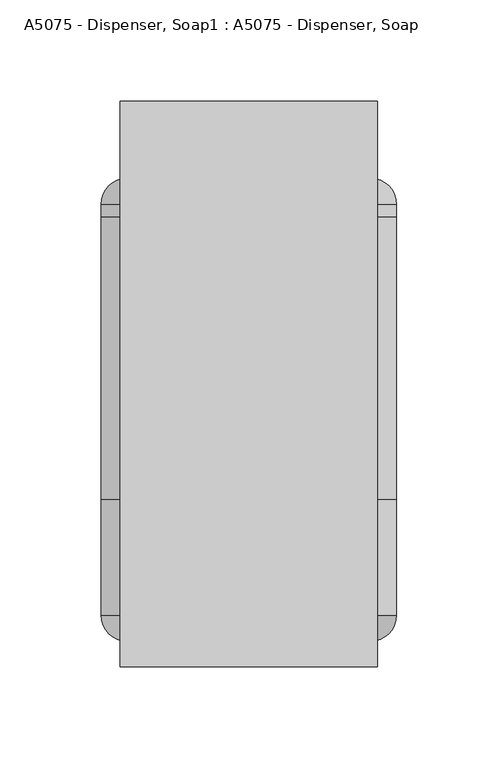
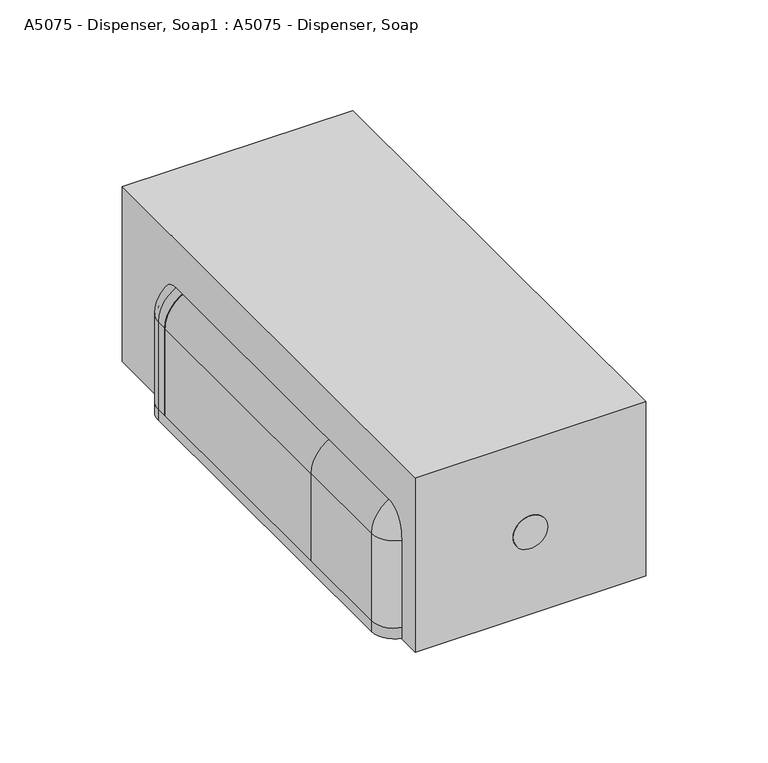
"""IFC4 building model written with IfcOpenShell, lengths in millimetres: proxy geometry, A5075 - Dispenser, Soap1 : A5075 - Dispenser, Soap."""

from ifc_helpers import new_model, si_unit, point, frame, frame_2d, origin, origin_with_axes, place, context, project, spatial, polyline, circle_curve, ellipse_curve, trimmed, segment, composite_curve, outline, extrude, source, transform, mapped, element, save
from ifc_brep_helpers import plane_surface, cylinder_surface, revolved_surface, advanced_brep


def a5075_dispenser_soap1_a5075_dispenser_soap_4b3b6f7a(model_context):
    return source(origin(), model_context, "Body", "SolidModel", [
        advanced_brep(
        [(-73.025, 25.4, 6.35), (-73.025, 82.55, 6.35), (-71.4375, 82.55, 6.35), (-71.4375, 25.4, 6.35), (-60.325, 14.2875, 6.35), (-60.325, 12.7, 6.35), (-73.025, 25.4, 57.15), (-73.025, 82.55, 57.15), (-53.975, 82.55, 76.2), (53.975, 82.55, 76.2), (73.025, 82.55, 57.15), (73.025, 82.55, 6.35), (71.4375, 82.55, 6.35), (71.4375, 82.55, 57.15), (53.975, 82.55, 74.6125), (-53.975, 82.55, 74.6125), (-71.4375, 82.55, 57.15), (-71.4375, 25.4, 57.15), (-60.325, 14.2875, 57.15), (-60.325, 12.7, 57.15), (-53.975, 25.4, 76.2), (-53.975, 25.4, 74.6125), (-53.975, 14.2875, 63.5), (-53.975, 12.7, 63.5), (53.975, 25.4, 76.2), (53.975, 25.4, 74.6125), (53.975, 14.2875, 63.5), (53.975, 12.7, 63.5), (73.025, 25.4, 57.15), (71.4375, 25.4, 57.15), (60.325, 14.2875, 57.15), (60.325, 12.7, 57.15), (73.025, 25.4, 6.35), (60.325, 12.7, 6.35), (60.325, 14.2875, 6.35), (71.4375, 25.4, 6.35)],
        [
            (0, 1),
            (1, 2),
            (2, 3),
            (3, 4, circle_curve(frame((-60.325, 25.4, 6.35), z_axis=(0.0, 0.0, 1.0), x_axis=(1.0, 0.0, 0.0)), 11.1125)),
            (4, 5),
            (5, 0, circle_curve(frame((-60.325, 25.4, 6.35), z_axis=(0.0, 0.0, -1.0), x_axis=(1.0, 0.0, 0.0)), 12.7)),
            (0, 6),
            (6, 7),
            (7, 1),
            (7, 8, circle_curve(frame((-53.975, 82.55, 57.15), z_axis=(0.0, 1.0, 0.0), x_axis=(-1.0, 0.0, 0.0)), 19.05)),
            (8, 9),
            (9, 10, circle_curve(frame((53.975, 82.55, 57.15), z_axis=(0.0, 1.0, 0.0), x_axis=(0.0, 0.0, 1.0)), 19.05)),
            (10, 11),
            (11, 12),
            (12, 13),
            (13, 14, circle_curve(frame((53.975, 82.55, 57.15), z_axis=(0.0, -1.0, 0.0), x_axis=(0.0, 0.0, 1.0)), 17.4625)),
            (14, 15),
            (15, 16, circle_curve(frame((-53.975, 82.55, 57.15), z_axis=(0.0, -1.0, 0.0), x_axis=(-1.0, 0.0, 0.0)), 17.4625)),
            (16, 2),
            (16, 17),
            (17, 3),
            (17, 18, circle_curve(frame((-60.325, 25.4, 57.15), z_axis=(0.0, 0.0, 1.0), x_axis=(1.0, 0.0, 0.0)), 11.1125)),
            (18, 4),
            (18, 19),
            (19, 5),
            (19, 6, circle_curve(frame((-60.325, 25.4, 57.15), z_axis=(0.0, 0.0, -1.0), x_axis=(1.0, 0.0, 0.0)), 12.7)),
            (6, 20, circle_curve(frame((-53.975, 25.4, 57.15), z_axis=(0.0, 1.0, 0.0), x_axis=(-1.0, 0.0, 0.0)), 19.05)),
            (20, 8),
            (21, 17, circle_curve(frame((-53.975, 25.4, 57.15), z_axis=(0.0, -1.0, 0.0), x_axis=(-1.0, 0.0, 0.0)), 17.4625)),
            (15, 21),
            (22, 18, circle_curve(frame((-53.975, 14.2875, 57.15), z_axis=(0.0, -1.0, 0.0), x_axis=(-1.0, 0.0, 0.0)), 6.35)),
            (21, 22, circle_curve(frame((-53.975, 25.4, 63.5), z_axis=(1.0, 0.0, 0.0), x_axis=(0.0, 0.0, -1.0)), 11.1125)),
            (23, 19, circle_curve(frame((-53.975, 12.7, 57.15), z_axis=(0.0, -1.0, 0.0), x_axis=(-1.0, 0.0, 0.0)), 6.35)),
            (22, 23),
            (23, 20, circle_curve(frame((-53.975, 25.4, 63.5), z_axis=(-1.0, 0.0, 0.0), x_axis=(0.0, 0.0, -1.0)), 12.7)),
            (20, 24),
            (24, 9),
            (14, 25),
            (25, 21),
            (25, 26, circle_curve(frame((53.975, 25.4, 63.5), z_axis=(1.0, 0.0, 0.0), x_axis=(0.0, 0.0, -1.0)), 11.1125)),
            (26, 22),
            (26, 27),
            (27, 23),
            (27, 24, circle_curve(frame((53.975, 25.4, 63.5), z_axis=(-1.0, 0.0, 0.0), x_axis=(0.0, 0.0, -1.0)), 12.7)),
            (24, 28, circle_curve(frame((53.975, 25.4, 57.15), z_axis=(0.0, 1.0, 0.0), x_axis=(0.0, 0.0, 1.0)), 19.05)),
            (28, 10),
            (29, 25, circle_curve(frame((53.975, 25.4, 57.15), z_axis=(0.0, -1.0, 0.0), x_axis=(0.0, 0.0, 1.0)), 17.4625)),
            (13, 29),
            (30, 26, circle_curve(frame((53.975, 14.2875, 57.15), z_axis=(0.0, -1.0, 0.0), x_axis=(0.0, 0.0, 1.0)), 6.35)),
            (29, 30, circle_curve(frame((60.325, 25.4, 57.15), z_axis=(0.0, 0.0, -1.0), x_axis=(-1.0, 0.0, 0.0)), 11.1125)),
            (31, 27, circle_curve(frame((53.975, 12.7, 57.15), z_axis=(0.0, -1.0, 0.0), x_axis=(0.0, 0.0, 1.0)), 6.35)),
            (30, 31),
            (31, 28, circle_curve(frame((60.325, 25.4, 57.15), z_axis=(0.0, 0.0, 1.0), x_axis=(-1.0, 0.0, 0.0)), 12.7)),
            (32, 33, circle_curve(frame((60.325, 25.4, 6.35), z_axis=(0.0, 0.0, -1.0), x_axis=(-1.0, 0.0, 0.0)), 12.7)),
            (33, 34),
            (34, 35, circle_curve(frame((60.325, 25.4, 6.35), z_axis=(0.0, 0.0, 1.0), x_axis=(-1.0, 0.0, 0.0)), 11.1125)),
            (35, 12),
            (11, 32),
            (28, 32),
            (35, 29),
            (34, 30),
            (33, 31),
        ],
        [
            plane_surface(frame((-73.025, 12.7, 6.35), z_axis=(0.0, 0.0, -1.0), x_axis=(0.0, 1.0, 0.0))),
            plane_surface(frame((-73.025, 25.4, 6.35), z_axis=(-1.0, 0.0, 0.0), x_axis=(0.0, 0.0, 1.0))),
            plane_surface(frame((-73.025, 82.55, 6.35), z_axis=(0.0, 1.0, 0.0), x_axis=(0.0, 0.0, 1.0))),
            plane_surface(frame((-71.4375, 82.55, 6.35), z_axis=(1.0, 0.0, 0.0), x_axis=(0.0, 0.0, 1.0))),
            revolved_surface(polyline([(-49.212500000000006, 25.4, 57.15), (-49.212500000000006, 25.4, 6.35)]), (-60.325, 25.4, 6.35), (0.0, 0.0, 1.0)),
            plane_surface(frame((-60.325, 14.2875, 6.35), z_axis=(1.0, 0.0, 0.0), x_axis=(0.0, 0.0, 1.0))),
            cylinder_surface(frame((-60.325, 25.4, 6.35), z_axis=(0.0, 0.0, -1.0), x_axis=(1.0, 0.0, 0.0)), 12.7),
            cylinder_surface(frame((-53.975, 12.7, 57.15), z_axis=(0.0, 1.0, 0.0), x_axis=(-1.0, 0.0, 0.0)), 19.05),
            revolved_surface(polyline([(-71.4375, 82.55, 57.15), (-71.4375, 25.4, 57.15)]), (-53.975, 12.7, 57.15), (0.0, 1.0, 0.0)),
            revolved_surface(trimmed(ellipse_curve(frame((-60.325, 25.4, 57.15), z_axis=(0.0, 0.0, 1.0), x_axis=(1.0, 0.0, 0.0)), 11.1125, 11.1125), [point((-71.4375, 25.4, 57.15))], [point((-60.325, 14.2875, 57.15))], True, "CARTESIAN"), (-53.975, 12.7, 57.15), (0.0, 1.0, 0.0)),
            revolved_surface(polyline([(-60.325, 14.2875, 57.15), (-60.325, 12.7, 57.15)]), (-53.975, 12.7, 57.15), (0.0, 1.0, 0.0)),
            revolved_surface(trimmed(ellipse_curve(frame((-60.325, 25.4, 57.15), z_axis=(0.0, 0.0, -1.0), x_axis=(1.0, 0.0, 0.0)), 12.7, 12.7), [point((-60.325, 12.7, 57.15))], [point((-73.025, 25.4, 57.15))], True, "CARTESIAN"), (-53.975, 12.7, 57.15), (0.0, 1.0, 0.0)),
            plane_surface(frame((-53.975, 25.4, 76.2), z_axis=(0.0, 0.0, 1.0), x_axis=(1.0, 0.0, 0.0))),
            plane_surface(frame((-53.975, 82.55, 74.6125), z_axis=(0.0, 0.0, -1.0), x_axis=(1.0, 0.0, 0.0))),
            revolved_surface(polyline([(53.975, 25.4, 52.3875), (-53.975, 25.4, 52.3875)]), (-53.975, 25.4, 63.5), (1.0, 0.0, 0.0)),
            plane_surface(frame((-53.975, 14.2875, 63.5), z_axis=(0.0, 0.0, -1.0), x_axis=(1.0, 0.0, 0.0))),
            cylinder_surface(frame((-53.975, 25.4, 63.5), z_axis=(-1.0, 0.0, 0.0), x_axis=(0.0, 0.0, -1.0)), 12.7),
            cylinder_surface(frame((53.975, 12.7, 57.15), z_axis=(0.0, 1.0, 0.0), x_axis=(0.0, 0.0, 1.0)), 19.05),
            revolved_surface(polyline([(53.975, 82.55, 74.6125), (53.975, 25.4, 74.6125)]), (53.975, 12.7, 57.15), (0.0, 1.0, 0.0)),
            revolved_surface(trimmed(ellipse_curve(frame((53.975, 25.4, 63.5), z_axis=(1.0, 0.0, 0.0), x_axis=(0.0, 0.0, -1.0)), 11.1125, 11.1125), [point((53.975, 25.4, 74.6125))], [point((53.975, 14.2875, 63.5))], True, "CARTESIAN"), (53.975, 12.7, 57.15), (0.0, 1.0, 0.0)),
            revolved_surface(polyline([(53.975, 14.2875, 63.5), (53.975, 12.7, 63.5)]), (53.975, 12.7, 57.15), (0.0, 1.0, 0.0)),
            revolved_surface(trimmed(ellipse_curve(frame((53.975, 25.4, 63.5), z_axis=(-1.0, 0.0, 0.0), x_axis=(0.0, 0.0, -1.0)), 12.7, 12.7), [point((53.975, 12.7, 63.5))], [point((53.975, 25.4, 76.2))], True, "CARTESIAN"), (53.975, 12.7, 57.15), (0.0, 1.0, 0.0)),
            plane_surface(frame((73.025, 12.7, 6.35), z_axis=(0.0, 0.0, -1.0), x_axis=(0.0, 1.0, 0.0))),
            plane_surface(frame((73.025, 25.4, 57.15), z_axis=(1.0, 0.0, 0.0), x_axis=(0.0, 0.0, -1.0))),
            plane_surface(frame((71.4375, 82.55, 57.15), z_axis=(-1.0, 0.0, 0.0), x_axis=(0.0, 0.0, -1.0))),
            revolved_surface(polyline([(49.212500000000006, 25.4, 6.350000000000001), (49.212500000000006, 25.4, 57.15)]), (60.325, 25.4, 57.15), (0.0, 0.0, -1.0)),
            plane_surface(frame((60.325, 14.2875, 57.15), z_axis=(-1.0, 0.0, 0.0), x_axis=(0.0, 0.0, -1.0))),
            cylinder_surface(frame((60.325, 25.4, 57.15), z_axis=(0.0, 0.0, 1.0), x_axis=(-1.0, 0.0, 0.0)), 12.7),
        ],
        [
            (0, [[1, 2, 3, 4, 5, 6]]),
            (1, [[-1, 7, 8, 9]]),
            (2, [[-2, -9, 10, 11, 12, 13, 14, 15, 16, 17, 18, 19]]),
            (3, [[-3, -19, 20, 21]]),
            (4, [[-4, -21, 22, 23]]),
            (5, [[-5, -23, 24, 25]]),
            (6, [[-6, -25, 26, -7]]),
            (7, [[-10, -8, 27, 28]]),
            (8, [[29, -20, -18, 30]]),
            (9, [[31, -22, -29, 32]]),
            (10, [[33, -24, -31, 34]]),
            (11, [[-27, -26, -33, 35]]),
            (12, [[-28, 36, 37, -11]]),
            (13, [[-30, -17, 38, 39]]),
            (14, [[-32, -39, 40, 41]]),
            (15, [[-34, -41, 42, 43]]),
            (16, [[-35, -43, 44, -36]]),
            (17, [[-12, -37, 45, 46]]),
            (18, [[47, -38, -16, 48]]),
            (19, [[49, -40, -47, 50]]),
            (20, [[51, -42, -49, 52]]),
            (21, [[-45, -44, -51, 53]]),
            (22, [[54, 55, 56, 57, -14, 58]]),
            (23, [[-46, 59, -58, -13]]),
            (24, [[-48, -15, -57, 60]]),
            (25, [[-50, -60, -56, 61]]),
            (26, [[-52, -61, -55, 62]]),
            (27, [[-53, -62, -54, -59]]),
        ],
    ),
        advanced_brep(
        [(-73.025, 228.6, 6.35), (-60.325, 241.3, 6.35), (-60.325, 239.7125, 6.35), (-71.4375, 228.6, 6.35), (-71.4375, 222.25, 6.35), (-73.025, 222.25, 6.35), (-73.025, 228.6, 57.15), (-60.325, 241.3, 57.15), (-60.325, 239.7125, 57.15), (-71.4375, 228.6, 57.15), (-71.4375, 222.25, 57.15), (-53.975, 222.25, 74.6125), (53.975, 222.25, 74.6125), (71.4375, 222.25, 57.15), (71.4375, 222.25, 6.35), (73.025, 222.25, 6.35), (73.025, 222.25, 57.15), (53.975, 222.25, 76.2), (-53.975, 222.25, 76.2), (-73.025, 222.25, 57.15), (-53.975, 241.3, 63.5), (-53.975, 228.6, 76.2), (-53.975, 239.7125, 63.5), (-53.975, 228.6, 74.6125), (53.975, 228.6, 76.2), (53.975, 241.3, 63.5), (53.975, 239.7125, 63.5), (53.975, 228.6, 74.6125), (60.325, 241.3, 57.15), (73.025, 228.6, 57.15), (60.325, 239.7125, 57.15), (71.4375, 228.6, 57.15), (73.025, 228.6, 6.35), (71.4375, 228.6, 6.35), (60.325, 239.7125, 6.35), (60.325, 241.3, 6.35)],
        [
            (0, 1, circle_curve(frame((-60.325, 228.6, 6.35), z_axis=(0.0, 0.0, -1.0), x_axis=(1.0, 0.0, 0.0)), 12.7)),
            (1, 2),
            (2, 3, circle_curve(frame((-60.325, 228.6, 6.35), z_axis=(0.0, 0.0, 1.0), x_axis=(1.0, 0.0, 0.0)), 11.1125)),
            (3, 4),
            (4, 5),
            (5, 0),
            (0, 6),
            (6, 7, circle_curve(frame((-60.325, 228.6, 57.15), z_axis=(0.0, 0.0, -1.0), x_axis=(1.0, 0.0, 0.0)), 12.7)),
            (7, 1),
            (7, 8),
            (8, 2),
            (8, 9, circle_curve(frame((-60.325, 228.6, 57.15), z_axis=(0.0, 0.0, 1.0), x_axis=(1.0, 0.0, 0.0)), 11.1125)),
            (9, 3),
            (9, 10),
            (10, 4),
            (10, 11, circle_curve(frame((-53.975, 222.25, 57.15), z_axis=(0.0, 1.0, 0.0), x_axis=(-1.0, 0.0, 0.0)), 17.4625)),
            (11, 12),
            (12, 13, circle_curve(frame((53.975, 222.25, 57.15), z_axis=(0.0, 1.0, 0.0), x_axis=(0.0, 0.0, 1.0)), 17.4625)),
            (13, 14),
            (14, 15),
            (15, 16),
            (16, 17, circle_curve(frame((53.975, 222.25, 57.15), z_axis=(0.0, -1.0, 0.0), x_axis=(0.0, 0.0, 1.0)), 19.05)),
            (17, 18),
            (18, 19, circle_curve(frame((-53.975, 222.25, 57.15), z_axis=(0.0, -1.0, 0.0), x_axis=(-1.0, 0.0, 0.0)), 19.05)),
            (19, 5),
            (19, 6),
            (20, 7, circle_curve(frame((-53.975, 241.3, 57.15), z_axis=(0.0, -1.0, 0.0), x_axis=(-1.0, 0.0, 0.0)), 6.35)),
            (6, 21, circle_curve(frame((-53.975, 228.6, 57.15), z_axis=(0.0, 1.0, 0.0), x_axis=(-1.0, 0.0, 0.0)), 19.05)),
            (21, 20, circle_curve(frame((-53.975, 228.6, 63.5), z_axis=(-1.0, 0.0, 0.0), x_axis=(0.0, 0.0, -1.0)), 12.7)),
            (22, 8, circle_curve(frame((-53.975, 239.7125, 57.15), z_axis=(0.0, -1.0, 0.0), x_axis=(-1.0, 0.0, 0.0)), 6.35)),
            (20, 22),
            (23, 9, circle_curve(frame((-53.975, 228.6, 57.15), z_axis=(0.0, -1.0, 0.0), x_axis=(-1.0, 0.0, 0.0)), 17.4625)),
            (22, 23, circle_curve(frame((-53.975, 228.6, 63.5), z_axis=(1.0, 0.0, 0.0), x_axis=(0.0, 0.0, -1.0)), 11.1125)),
            (23, 11),
            (18, 21),
            (21, 24),
            (24, 25, circle_curve(frame((53.975, 228.6, 63.5), z_axis=(-1.0, 0.0, 0.0), x_axis=(0.0, 0.0, -1.0)), 12.7)),
            (25, 20),
            (25, 26),
            (26, 22),
            (26, 27, circle_curve(frame((53.975, 228.6, 63.5), z_axis=(1.0, 0.0, 0.0), x_axis=(0.0, 0.0, -1.0)), 11.1125)),
            (27, 23),
            (27, 12),
            (17, 24),
            (28, 25, circle_curve(frame((53.975, 241.3, 57.15), z_axis=(0.0, -1.0, 0.0), x_axis=(0.0, 0.0, 1.0)), 6.35)),
            (24, 29, circle_curve(frame((53.975, 228.6, 57.15), z_axis=(0.0, 1.0, 0.0), x_axis=(0.0, 0.0, 1.0)), 19.05)),
            (29, 28, circle_curve(frame((60.325, 228.6, 57.15), z_axis=(0.0, 0.0, 1.0), x_axis=(-1.0, 0.0, 0.0)), 12.7)),
            (30, 26, circle_curve(frame((53.975, 239.7125, 57.15), z_axis=(0.0, -1.0, 0.0), x_axis=(0.0, 0.0, 1.0)), 6.35)),
            (28, 30),
            (31, 27, circle_curve(frame((53.975, 228.6, 57.15), z_axis=(0.0, -1.0, 0.0), x_axis=(0.0, 0.0, 1.0)), 17.4625)),
            (30, 31, circle_curve(frame((60.325, 228.6, 57.15), z_axis=(0.0, 0.0, -1.0), x_axis=(-1.0, 0.0, 0.0)), 11.1125)),
            (31, 13),
            (16, 29),
            (32, 15),
            (14, 33),
            (33, 34, circle_curve(frame((60.325, 228.6, 6.35), z_axis=(0.0, 0.0, 1.0), x_axis=(-1.0, 0.0, 0.0)), 11.1125)),
            (34, 35),
            (35, 32, circle_curve(frame((60.325, 228.6, 6.35), z_axis=(0.0, 0.0, -1.0), x_axis=(-1.0, 0.0, 0.0)), 12.7)),
            (29, 32),
            (35, 28),
            (34, 30),
            (33, 31),
        ],
        [
            plane_surface(frame((-73.025, 241.3, 6.35), z_axis=(0.0, 0.0, -1.0), x_axis=(0.0, 1.0, 0.0))),
            cylinder_surface(frame((-60.325, 228.6, 6.35), z_axis=(0.0, 0.0, -1.0), x_axis=(1.0, 0.0, 0.0)), 12.7),
            plane_surface(frame((-60.325, 241.3, 6.35), z_axis=(1.0, 0.0, 0.0), x_axis=(0.0, 0.0, 1.0))),
            revolved_surface(polyline([(-49.212500000000006, 228.6, 57.15), (-49.212500000000006, 228.6, 6.35)]), (-60.325, 228.6, 6.35), (0.0, 0.0, 1.0)),
            plane_surface(frame((-71.4375, 228.6, 6.35), z_axis=(1.0, 0.0, 0.0), x_axis=(0.0, 0.0, 1.0))),
            plane_surface(frame((-71.4375, 222.25, 6.35), z_axis=(0.0, -1.0, 0.0), x_axis=(0.0, 0.0, 1.0))),
            plane_surface(frame((-73.025, 222.25, 6.35), z_axis=(-1.0, 0.0, 0.0), x_axis=(0.0, 0.0, 1.0))),
            revolved_surface(trimmed(ellipse_curve(frame((-60.325, 228.6, 57.15), z_axis=(0.0, 0.0, -1.0), x_axis=(1.0, 0.0, 0.0)), 12.7, 12.7), [point((-73.025, 228.6, 57.15))], [point((-60.325, 241.3, 57.15))], True, "CARTESIAN"), (-53.975, 241.3, 57.15), (0.0, 1.0, 0.0)),
            revolved_surface(polyline([(-60.325, 241.3, 57.15), (-60.325, 239.7125, 57.15)]), (-53.975, 241.3, 57.15), (0.0, 1.0, 0.0)),
            revolved_surface(trimmed(ellipse_curve(frame((-60.325, 228.6, 57.15), z_axis=(0.0, 0.0, 1.0), x_axis=(1.0, 0.0, 0.0)), 11.1125, 11.1125), [point((-60.325, 239.7125, 57.15))], [point((-71.4375, 228.6, 57.15))], True, "CARTESIAN"), (-53.975, 241.3, 57.15), (0.0, 1.0, 0.0)),
            revolved_surface(polyline([(-71.4375, 228.6, 57.15), (-71.4375, 222.25, 57.15)]), (-53.975, 241.3, 57.15), (0.0, 1.0, 0.0)),
            cylinder_surface(frame((-53.975, 241.3, 57.15), z_axis=(0.0, 1.0, 0.0), x_axis=(-1.0, 0.0, 0.0)), 19.05),
            cylinder_surface(frame((-53.975, 228.6, 63.5), z_axis=(-1.0, 0.0, 0.0), x_axis=(0.0, 0.0, -1.0)), 12.7),
            plane_surface(frame((-53.975, 241.3, 63.5), z_axis=(0.0, 0.0, -1.0), x_axis=(1.0, 0.0, 0.0))),
            revolved_surface(polyline([(53.975, 228.6, 52.3875), (-53.975, 228.6, 52.3875)]), (-53.975, 228.6, 63.5), (1.0, 0.0, 0.0)),
            plane_surface(frame((-53.975, 228.6, 74.6125), z_axis=(0.0, 0.0, -1.0), x_axis=(1.0, 0.0, 0.0))),
            plane_surface(frame((-53.975, 222.25, 76.2), z_axis=(0.0, 0.0, 1.0), x_axis=(1.0, 0.0, 0.0))),
            revolved_surface(trimmed(ellipse_curve(frame((53.975, 228.6, 63.5), z_axis=(-1.0, 0.0, 0.0), x_axis=(0.0, 0.0, -1.0)), 12.7, 12.7), [point((53.975, 228.6, 76.2))], [point((53.975, 241.3, 63.5))], True, "CARTESIAN"), (53.975, 241.3, 57.15), (0.0, 1.0, 0.0)),
            revolved_surface(polyline([(53.975, 241.3, 63.5), (53.975, 239.7125, 63.5)]), (53.975, 241.3, 57.15), (0.0, 1.0, 0.0)),
            revolved_surface(trimmed(ellipse_curve(frame((53.975, 228.6, 63.5), z_axis=(1.0, 0.0, 0.0), x_axis=(0.0, 0.0, -1.0)), 11.1125, 11.1125), [point((53.975, 239.7125, 63.5))], [point((53.975, 228.6, 74.6125))], True, "CARTESIAN"), (53.975, 241.3, 57.15), (0.0, 1.0, 0.0)),
            revolved_surface(polyline([(53.975, 228.6, 74.6125), (53.975, 222.25, 74.6125)]), (53.975, 241.3, 57.15), (0.0, 1.0, 0.0)),
            cylinder_surface(frame((53.975, 241.3, 57.15), z_axis=(0.0, 1.0, 0.0), x_axis=(0.0, 0.0, 1.0)), 19.05),
            plane_surface(frame((73.025, 241.3, 6.35), z_axis=(0.0, 0.0, -1.0), x_axis=(0.0, 1.0, 0.0))),
            cylinder_surface(frame((60.325, 228.6, 57.15), z_axis=(0.0, 0.0, 1.0), x_axis=(-1.0, 0.0, 0.0)), 12.7),
            plane_surface(frame((60.325, 241.3, 57.15), z_axis=(-1.0, 0.0, 0.0), x_axis=(0.0, 0.0, -1.0))),
            revolved_surface(polyline([(49.212500000000006, 228.6, 6.350000000000001), (49.212500000000006, 228.6, 57.15)]), (60.325, 228.6, 57.15), (0.0, 0.0, -1.0)),
            plane_surface(frame((71.4375, 228.6, 57.15), z_axis=(-1.0, 0.0, 0.0), x_axis=(0.0, 0.0, -1.0))),
            plane_surface(frame((73.025, 222.25, 57.15), z_axis=(1.0, 0.0, 0.0), x_axis=(0.0, 0.0, -1.0))),
        ],
        [
            (0, [[1, 2, 3, 4, 5, 6]]),
            (1, [[-1, 7, 8, 9]]),
            (2, [[-2, -9, 10, 11]]),
            (3, [[-3, -11, 12, 13]]),
            (4, [[-4, -13, 14, 15]]),
            (5, [[-5, -15, 16, 17, 18, 19, 20, 21, 22, 23, 24, 25]]),
            (6, [[-6, -25, 26, -7]]),
            (7, [[27, -8, 28, 29]]),
            (8, [[30, -10, -27, 31]]),
            (9, [[32, -12, -30, 33]]),
            (10, [[-16, -14, -32, 34]]),
            (11, [[-28, -26, -24, 35]]),
            (12, [[-29, 36, 37, 38]]),
            (13, [[-31, -38, 39, 40]]),
            (14, [[-33, -40, 41, 42]]),
            (15, [[-34, -42, 43, -17]]),
            (16, [[-35, -23, 44, -36]]),
            (17, [[45, -37, 46, 47]]),
            (18, [[48, -39, -45, 49]]),
            (19, [[50, -41, -48, 51]]),
            (20, [[-18, -43, -50, 52]]),
            (21, [[-46, -44, -22, 53]]),
            (22, [[54, -20, 55, 56, 57, 58]]),
            (23, [[-47, 59, -58, 60]]),
            (24, [[-49, -60, -57, 61]]),
            (25, [[-51, -61, -56, 62]]),
            (26, [[-52, -62, -55, -19]]),
            (27, [[-53, -21, -54, -59]]),
        ],
    ),
        extrude(outline(composite_curve([segment(polyline([(57.15, -73.025), (6.35, -73.025), (6.35, -71.4375), (57.15, -71.4375)]), True, "CONTINUOUS"), segment(trimmed(circle_curve(frame_2d((57.15, -53.975)), 17.4625), [point((57.15, -71.4375))], [point((74.6125, -53.975))], True, "CARTESIAN"), True, "CONTINUOUS"), segment(polyline([(74.6125, -53.975), (74.6125, 53.975)]), True, "CONTINUOUS"), segment(trimmed(circle_curve(frame_2d((57.15, 53.975)), 17.4625), [point((74.6125, 53.975))], [point((57.15, 71.4375))], True, "CARTESIAN"), True, "CONTINUOUS"), segment(polyline([(57.15, 71.4375), (6.35, 71.4375), (6.35, 73.025), (57.15, 73.025)]), True, "CONTINUOUS"), segment(trimmed(circle_curve(frame_2d((57.15, 53.975)), 19.05), [point((57.15, 73.025))], [point((76.2, 53.975))], False, "CARTESIAN"), True, "CONTINUOUS"), segment(polyline([(76.2, 53.975), (76.2, -53.975)]), True, "CONTINUOUS"), segment(trimmed(circle_curve(frame_2d((57.15, -53.975)), 19.05), [point((76.2, -53.975))], [point((57.15, -73.025))], False, "CARTESIAN"), True, "CONTINUOUS")], self_intersect=False)), frame((0.0, 82.55, 0.0), z_axis=(0.0, 1.0, 0.0), x_axis=(0.0, 0.0, 1.0)), (0.0, 0.0, 1.0), 139.7),
        extrude(outline(composite_curve([segment(polyline([(74.6125, 53.975), (74.6125, -53.975)]), True, "CONTINUOUS"), segment(trimmed(circle_curve(frame_2d((57.15, -53.975)), 17.4625), [point((74.6125, -53.975))], [point((57.15, -71.4375))], False, "CARTESIAN"), True, "CONTINUOUS"), segment(polyline([(57.15, -71.4375), (6.35, -71.4375), (6.35, 71.4375), (57.15, 71.4375)]), True, "CONTINUOUS"), segment(trimmed(circle_curve(frame_2d((57.15, 53.975)), 17.4625), [point((57.15, 71.4375))], [point((74.6125, 53.975))], False, "CARTESIAN"), True, "CONTINUOUS")], self_intersect=False)), frame((0.0, 82.55, 0.0), z_axis=(0.0, 1.0, 0.0), x_axis=(0.0, 0.0, 1.0)), (0.0, 0.0, 1.0), 101.8530988),
        extrude(outline(composite_curve([segment(trimmed(circle_curve(frame_2d((47.625, 0.0)), 9.525), [point((47.625, -9.525))], [point((47.625, 9.525))], False, "CARTESIAN"), True, "CONTINUOUS"), segment(trimmed(circle_curve(frame_2d((47.625, 0.0)), 9.525), [point((47.625, 9.525))], [point((47.625, -9.525))], False, "CARTESIAN"), True, "CONTINUOUS")], self_intersect=False)), frame((0.0, 0.0, 0.0), z_axis=(0.0, 1.0, 0.0), x_axis=(0.0, 0.0, 1.0)), (0.0, 0.0, 1.0), 12.7),
        extrude(outline(composite_curve([segment(polyline([(-9.525, 50.8), (9.525, 50.8)]), True, "CONTINUOUS"), segment(trimmed(circle_curve(frame_2d((9.525, 41.275)), 9.525), [point((9.525, 50.8))], [point((9.525, 31.75))], False, "CARTESIAN"), True, "CONTINUOUS"), segment(polyline([(9.525, 31.75), (-9.525, 31.75)]), True, "CONTINUOUS"), segment(trimmed(circle_curve(frame_2d((-9.525, 41.275)), 9.525), [point((-9.525, 31.75))], [point((-9.525, 50.8))], False, "CARTESIAN"), True, "CONTINUOUS")], self_intersect=False)), frame((0.0, 0.0, 76.2), z_axis=(0.0, 0.0, 1.0), x_axis=(1.0, 0.0, 0.0)), (0.0, 0.0, 1.0), 12.7),
        extrude(outline(composite_curve([segment(polyline([(6.35, -60.325), (6.35, 60.325), (57.15, 60.325)]), True, "CONTINUOUS"), segment(trimmed(circle_curve(frame_2d((57.15, 53.975)), 6.35), [point((57.15, 60.325))], [point((63.5, 53.975))], False, "CARTESIAN"), True, "CONTINUOUS"), segment(polyline([(63.5, 53.975), (63.5, -53.975)]), True, "CONTINUOUS"), segment(trimmed(circle_curve(frame_2d((57.15, -53.975)), 6.35), [point((63.5, -53.975))], [point((57.15, -60.325))], False, "CARTESIAN"), True, "CONTINUOUS"), segment(polyline([(57.15, -60.325), (6.35, -60.325)]), True, "CONTINUOUS")], self_intersect=False)), frame((0.0, 12.7, 0.0), z_axis=(0.0, 1.0, 0.0), x_axis=(0.0, 0.0, 1.0)), (0.0, 0.0, 1.0), 1.5875),
        extrude(outline(composite_curve([segment(polyline([(-60.325, 241.3), (60.325, 241.3)]), True, "CONTINUOUS"), segment(trimmed(circle_curve(frame_2d((60.325, 228.6)), 12.7), [point((60.325, 241.3))], [point((73.025, 228.6))], False, "CARTESIAN"), True, "CONTINUOUS"), segment(polyline([(73.025, 228.6), (73.025, 25.4)]), True, "CONTINUOUS"), segment(trimmed(circle_curve(frame_2d((60.325, 25.4)), 12.7), [point((73.025, 25.4))], [point((60.325, 12.7))], False, "CARTESIAN"), True, "CONTINUOUS"), segment(polyline([(60.325, 12.7), (-60.325, 12.7)]), True, "CONTINUOUS"), segment(trimmed(circle_curve(frame_2d((-60.325, 25.4)), 12.7), [point((-60.325, 12.7))], [point((-73.025, 25.4))], False, "CARTESIAN"), True, "CONTINUOUS"), segment(polyline([(-73.025, 25.4), (-73.025, 228.6)]), True, "CONTINUOUS"), segment(trimmed(circle_curve(frame_2d((-60.325, 228.6)), 12.7), [point((-73.025, 228.6))], [point((-60.325, 241.3))], False, "CARTESIAN"), True, "CONTINUOUS")], self_intersect=False)), origin_with_axes(), (0.0, 0.0, 1.0), 6.35),
        extrude(outline(polyline([(63.5, 279.4), (63.5, 0.0), (-63.5, 0.0), (-63.5, 279.4), (63.5, 279.4)])), origin_with_axes(), (0.0, 0.0, 1.0), 101.6),
        extrude(outline(composite_curve([segment(polyline([(6.35, -60.325), (6.35, 60.325), (57.15, 60.325)]), True, "CONTINUOUS"), segment(trimmed(circle_curve(frame_2d((57.15, 53.975)), 6.35), [point((57.15, 60.325))], [point((63.5, 53.975))], False, "CARTESIAN"), True, "CONTINUOUS"), segment(polyline([(63.5, 53.975), (63.5, -53.975)]), True, "CONTINUOUS"), segment(trimmed(circle_curve(frame_2d((57.15, -53.975)), 6.35), [point((63.5, -53.975))], [point((57.15, -60.325))], False, "CARTESIAN"), True, "CONTINUOUS"), segment(polyline([(57.15, -60.325), (6.35, -60.325)]), True, "CONTINUOUS")], self_intersect=False)), frame((0.0, 239.7125, 0.0), z_axis=(0.0, 1.0, 0.0), x_axis=(0.0, 0.0, 1.0)), (0.0, 0.0, 1.0), 1.5875),
    ])


if __name__ == "__main__":
    model = new_model("IFC4")
    model_context = context("Model", 3, world=origin())
    ifc_project = project(units=[si_unit("LENGTHUNIT", "METRE", prefix="MILLI")], contexts=[model_context])
    site = spatial("IfcSite", under=ifc_project)
    building = spatial("IfcBuilding", under=site)
    placement = place(None, origin())
    a5075_dispenser_soap1_a5075_dispenser_soap_shape = a5075_dispenser_soap1_a5075_dispenser_soap_4b3b6f7a(model_context)
    element("IfcBuildingElementProxy", 1, Name="A5075 - Dispenser, Soap1 : A5075 - Dispenser, Soap", ObjectType="A5075 - Dispenser, Soap1 : A5075 - Dispenser, Soap", at=placement, inside=building, context=model_context, shape_type="MappedRepresentation", body=[
        mapped(a5075_dispenser_soap1_a5075_dispenser_soap_shape, transform((0.0, 0.0, 0.0), x_axis=(1.0, 0.0, 0.0), y_axis=(0.0, 1.0, 0.0), z_axis=(0.0, 0.0, 1.0))),
    ])
    save(model, "model.ifc")
